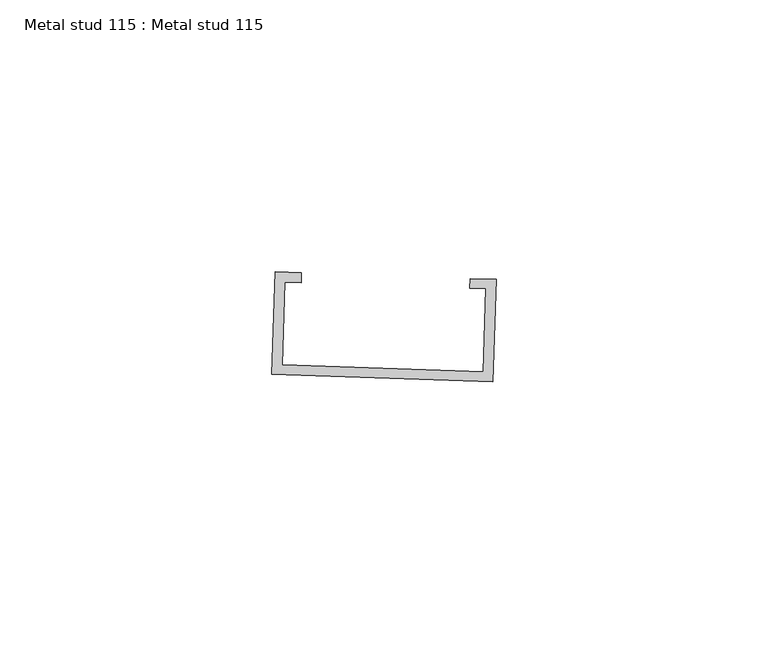
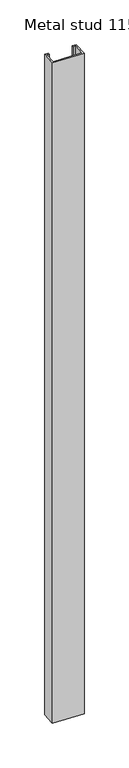
"""IFC4 building model written with IfcOpenShell, lengths in millimetres: proxy geometry, Metal stud 115 : Metal stud 115."""

from ifc_helpers import new_model, si_unit, frame, origin, place, context, project, spatial, polyline, outline, extrude, source, transform, mapped, element, save


def metal_stud_115_metal_stud_115_48912f6a(model_context):
    return source(origin(), model_context, "Body", "SweptSolid", [
        extrude(outline(polyline([(32671.6503118, -15513.8501063), (32672.2949352, -15495.0134769), (32677.0909558, -15495.1776054), (32677.0286311, -15496.998805), (32674.05381, -15496.8970012), (32673.533836, -15512.0912316), (32710.4887653, -15513.3558959), (32711.0087393, -15498.1616655), (32708.0339182, -15498.0598618), (32708.096243, -15496.2386622), (32712.8922635, -15496.4027907), (32712.2476401, -15515.2394201), (32671.6503118, -15513.8501063)])), frame((0.0, 0.0, 1597.975708), z_axis=(0.0, 0.0, 1.0), x_axis=(1.0, 0.0, 0.0)), (0.0, 0.0, 1.0), 914.4),
    ])


if __name__ == "__main__":
    model = new_model("IFC4")
    model_context = context("Model", 3, world=origin())
    ifc_project = project(units=[si_unit("LENGTHUNIT", "METRE", prefix="MILLI")], contexts=[model_context])
    site = spatial("IfcSite", under=ifc_project)
    building = spatial("IfcBuilding", under=site)
    placement = place(None, origin())
    metal_stud_115_metal_stud_115_shape = metal_stud_115_metal_stud_115_48912f6a(model_context)
    element("IfcBuildingElementProxy", 1, Name="Metal stud 115 : Metal stud 115", ObjectType="Metal stud 115 : Metal stud 115", at=placement, inside=building, context=model_context, shape_type="MappedRepresentation", body=[
        mapped(metal_stud_115_metal_stud_115_shape, transform((0.0, 0.0, 0.0), x_axis=(1.0, 0.0, 0.0), y_axis=(0.0, 1.0, 0.0), z_axis=(0.0, 0.0, 1.0))),
    ])
    save(model, "model.ifc")
